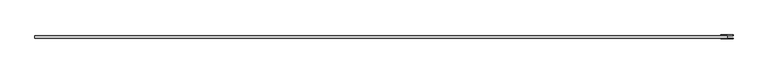
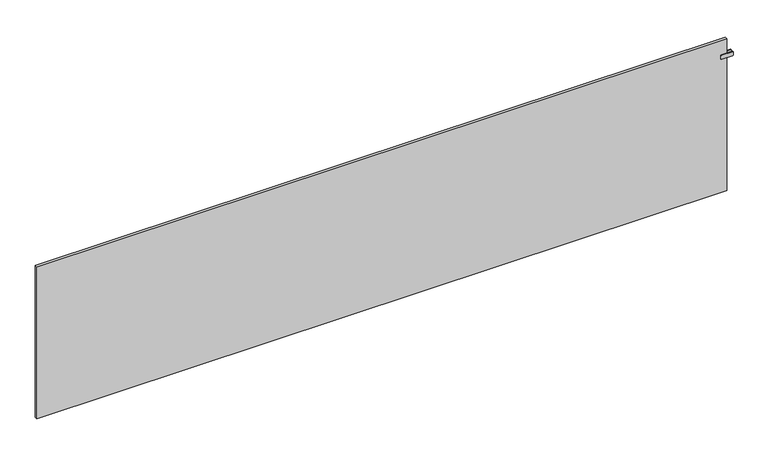
"""IFC4 building model written with IfcOpenShell, lengths in millimetres: plate geometry."""

from ifc_helpers import new_model, si_unit, point, frame, frame_2d, origin, origin_with_axes, place, context, project, spatial, polyline, circle_curve, trimmed, segment, composite_curve, outline, extrude, source, transform, mapped, element, save


def plate_246821b1(model_context):
    return source(origin(), model_context, "Body", "SweptSolid", [
        extrude(outline(polyline([(1997.5, -6.75), (1992.5, -6.75), (1992.5, 6.75), (1997.5, 6.75), (1997.5, -6.75)])), frame((0.0, 0.0, 816.5), z_axis=(0.0, 0.0, 1.0), x_axis=(1.0, 0.0, 0.0)), (0.0, 0.0, 1.0), 25.0),
        extrude(outline(composite_curve([segment(polyline([(816.5, 1963.0), (816.5, 2027.0)]), True, "CONTINUOUS"), segment(trimmed(circle_curve(frame_2d((819.5, 2027.0)), 3.0), [point((816.5, 2027.0))], [point((819.5, 2030.0))], False, "CARTESIAN"), True, "CONTINUOUS"), segment(polyline([(819.5, 2030.0), (838.5, 2030.0)]), True, "CONTINUOUS"), segment(trimmed(circle_curve(frame_2d((838.5, 2027.0)), 3.0), [point((838.5, 2030.0))], [point((841.5, 2027.0))], False, "CARTESIAN"), True, "CONTINUOUS"), segment(polyline([(841.5, 2027.0), (841.5, 1963.0)]), True, "CONTINUOUS"), segment(trimmed(circle_curve(frame_2d((838.5, 1963.0)), 3.0), [point((841.5, 1963.0))], [point((838.5, 1960.0))], False, "CARTESIAN"), True, "CONTINUOUS"), segment(polyline([(838.5, 1960.0), (819.5, 1960.0)]), True, "CONTINUOUS"), segment(trimmed(circle_curve(frame_2d((819.5, 1963.0)), 3.0), [point((819.5, 1960.0))], [point((816.5, 1963.0))], False, "CARTESIAN"), True, "CONTINUOUS")], self_intersect=False)), frame((0.0, 6.75, 0.0), z_axis=(0.0, 1.0, 0.0), x_axis=(0.0, 0.0, 1.0)), (0.0, 0.0, 1.0), 5.0),
        extrude(outline(composite_curve([segment(polyline([(816.5, 1963.0), (816.5, 2027.0)]), True, "CONTINUOUS"), segment(trimmed(circle_curve(frame_2d((819.5, 2027.0)), 3.0), [point((816.5, 2027.0))], [point((819.5, 2030.0))], False, "CARTESIAN"), True, "CONTINUOUS"), segment(polyline([(819.5, 2030.0), (838.5, 2030.0)]), True, "CONTINUOUS"), segment(trimmed(circle_curve(frame_2d((838.5, 2027.0)), 3.0), [point((838.5, 2030.0))], [point((841.5, 2027.0))], False, "CARTESIAN"), True, "CONTINUOUS"), segment(polyline([(841.5, 2027.0), (841.5, 1963.0)]), True, "CONTINUOUS"), segment(trimmed(circle_curve(frame_2d((838.5, 1963.0)), 3.0), [point((841.5, 1963.0))], [point((838.5, 1960.0))], False, "CARTESIAN"), True, "CONTINUOUS"), segment(polyline([(838.5, 1960.0), (819.5, 1960.0)]), True, "CONTINUOUS"), segment(trimmed(circle_curve(frame_2d((819.5, 1963.0)), 3.0), [point((819.5, 1960.0))], [point((816.5, 1963.0))], False, "CARTESIAN"), True, "CONTINUOUS")], self_intersect=False)), frame((0.0, -11.75, 0.0), z_axis=(0.0, 1.0, 0.0), x_axis=(0.0, 0.0, 1.0)), (0.0, 0.0, 1.0), 5.0),
        extrude(outline(polyline([(1995.0, 6.75), (1995.0, -6.75), (-1995.0, -6.75), (-1995.0, 6.75), (1995.0, 6.75)])), origin_with_axes(), (0.0, 0.0, 1.0), 929.0),
    ])


if __name__ == "__main__":
    model = new_model("IFC4")
    model_context = context("Model", 3, world=origin())
    ifc_project = project(units=[si_unit("LENGTHUNIT", "METRE", prefix="MILLI")], contexts=[model_context])
    site = spatial("IfcSite", under=ifc_project)
    building = spatial("IfcBuilding", under=site)
    placement = place(None, origin())
    plate_shape = plate_246821b1(model_context)
    element("IfcPlate", 1, at=placement, inside=building, context=model_context, shape_type="MappedRepresentation", body=[
        mapped(plate_shape, transform((0.0, 0.0, 0.0), x_axis=(1.0, 0.0, 0.0), y_axis=(0.0, 1.0, 0.0), z_axis=(0.0, 0.0, 1.0))),
    ])
    save(model, "model.ifc")
